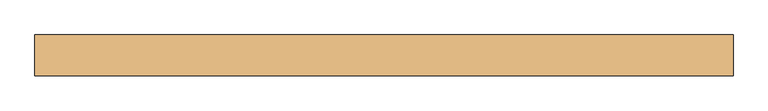
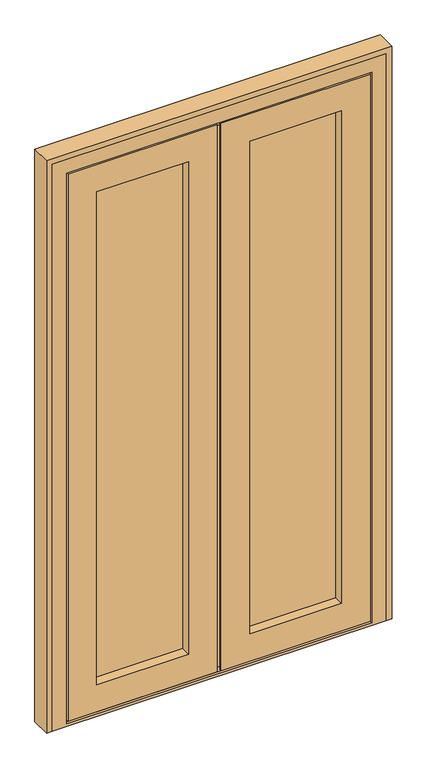
"""IFC4 building model written with IfcOpenShell, lengths in millimetres: door geometry."""

from ifc_helpers import new_model, si_unit, frame, origin, place, context, project, spatial, polyline, outline, extrude, faceted_brep, source, transform, mapped, element, save


def door_4d7236fe(model_context):
    return source(origin(), model_context, "Body", "SolidModel", [
        extrude(outline(polyline([(36.0, 91.0), (36.0, 65.0), (-318.0, 65.0), (-318.0, 91.0), (36.0, 91.0)])), frame((0.0, 0.0, 99.0), z_axis=(0.0, 0.0, 1.0), x_axis=(1.0, 0.0, 0.0)), (0.0, 0.0, 1.0), 1844.0),
        extrude(outline(polyline([(568.0, 91.0), (568.0, 65.0), (214.0, 65.0), (214.0, 91.0), (568.0, 91.0)])), frame((0.0, 0.0, 99.0), z_axis=(0.0, 0.0, 1.0), x_axis=(1.0, 0.0, 0.0)), (0.0, 0.0, 1.0), 1844.0),
        faceted_brep([(-400.0, 39.0, 17.0), (-390.0, 39.0, 17.0), (-390.0, 91.0, 17.0), (-380.0, 91.0, 17.0), (-380.0, 39.0, 17.0), (118.0, 39.0, 17.0), (118.0, 30.0, 17.0), (-400.0, 30.0, 17.0), (650.0, 39.0, 17.0), (650.0, 30.0, 17.0), (132.0, 30.0, 17.0), (132.0, 39.0, 17.0), (630.0, 39.0, 17.0), (630.0, 91.0, 17.0), (640.0, 91.0, 17.0), (640.0, 39.0, 17.0), (-400.0, 30.0, 2025.0), (-400.0, 39.0, 2025.0), (118.0, 30.0, 2025.0), (-300.0, 30.0, 1925.0), (18.0, 30.0, 1925.0), (18.0, 30.0, 117.0), (-300.0, 30.0, 117.0), (650.0, 30.0, 2025.0), (132.0, 30.0, 2025.0), (550.0, 30.0, 117.0), (232.0, 30.0, 117.0), (232.0, 30.0, 1925.0), (550.0, 30.0, 1925.0), (-300.0, 65.0, 117.0), (-300.0, 65.0, 1925.0), (568.0, 65.0, 99.0), (214.0, 65.0, 99.0), (214.0, 65.0, 1943.0), (568.0, 65.0, 1943.0), (550.0, 65.0, 1925.0), (232.0, 65.0, 1925.0), (232.0, 65.0, 117.0), (550.0, 65.0, 117.0), (-318.0, 65.0, 1943.0), (36.0, 65.0, 1943.0), (36.0, 65.0, 99.0), (-318.0, 65.0, 99.0), (18.0, 65.0, 117.0), (18.0, 65.0, 1925.0), (-318.0, 91.0, 99.0), (-318.0, 91.0, 1943.0), (568.0, 91.0, 1943.0), (214.0, 91.0, 1943.0), (214.0, 91.0, 99.0), (568.0, 91.0, 99.0), (550.0, 91.0, 117.0), (232.0, 91.0, 117.0), (232.0, 91.0, 1925.0), (550.0, 91.0, 1925.0), (36.0, 91.0, 99.0), (36.0, 91.0, 1943.0), (-300.0, 91.0, 1925.0), (18.0, 91.0, 1925.0), (18.0, 91.0, 117.0), (-300.0, 91.0, 117.0), (-300.0, 100.0, 117.0), (-300.0, 100.0, 1925.0), (625.0, 100.0, 42.0), (132.0, 100.0, 42.0), (132.0, 100.0, 2000.0), (625.0, 100.0, 2000.0), (550.0, 100.0, 1925.0), (232.0, 100.0, 1925.0), (232.0, 100.0, 117.0), (550.0, 100.0, 117.0), (-375.0, 100.0, 2000.0), (118.0, 100.0, 2000.0), (118.0, 100.0, 42.0), (-375.0, 100.0, 42.0), (18.0, 100.0, 117.0), (18.0, 100.0, 1925.0), (-375.0, 91.0, 42.0), (-375.0, 91.0, 2000.0), (630.0, 91.0, 27.0), (-380.0, 91.0, 27.0), (-390.0, 91.0, 2015.0), (640.0, 91.0, 2015.0), (625.0, 91.0, 2000.0), (132.0, 91.0, 2000.0), (132.0, 91.0, 42.0), (625.0, 91.0, 42.0), (118.0, 91.0, 42.0), (118.0, 91.0, 2000.0), (-390.0, 39.0, 2015.0), (118.0, 39.0, 2025.0), (118.0, 39.0, 2015.0), (640.0, 39.0, 2015.0), (132.0, 39.0, 2015.0), (132.0, 39.0, 2025.0), (650.0, 39.0, 2025.0), (630.0, 39.0, 27.0), (-380.0, 39.0, 27.0), (132.0, 39.0, 27.0), (118.0, 39.0, 27.0)], [[[0, 1, 2, 3, 4, 5, 6, 7]], [[8, 9, 10, 11, 12, 13, 14, 15]], [[7, 16, 17, 0]], [[7, 6, 18, 16], [19, 20, 21, 22]], [[23, 24, 10, 9], [25, 26, 27, 28]], [[19, 22, 29, 30]], [[31, 32, 33, 34], [35, 36, 37, 38]], [[39, 40, 41, 42], [29, 43, 44, 30]], [[39, 42, 45, 46]], [[47, 48, 49, 50], [51, 52, 53, 54]], [[45, 55, 56, 46], [57, 58, 59, 60]], [[57, 60, 61, 62]], [[63, 64, 65, 66], [67, 68, 69, 70]], [[71, 72, 73, 74], [61, 75, 76, 62]], [[71, 74, 77, 78]], [[14, 13, 79, 80, 3, 2, 81, 82], [83, 84, 85, 86], [87, 88, 78, 77]], [[1, 89, 81, 2]], [[0, 17, 90, 91, 89, 1]], [[92, 93, 94, 95, 8, 15]], [[16, 18, 90, 17]], [[95, 94, 24, 23]], [[30, 44, 20, 19]], [[28, 27, 36, 35]], [[46, 56, 40, 39]], [[34, 33, 48, 47]], [[62, 76, 58, 57]], [[54, 53, 68, 67]], [[78, 88, 72, 71]], [[66, 65, 84, 83]], [[81, 89, 91, 93, 92, 82]], [[9, 8, 95, 23]], [[35, 38, 25, 28]], [[47, 50, 31, 34]], [[67, 70, 51, 54]], [[83, 86, 63, 66]], [[82, 92, 15, 14]], [[38, 37, 26, 25]], [[22, 21, 43, 29]], [[42, 41, 55, 45]], [[50, 49, 32, 31]], [[70, 69, 52, 51]], [[60, 59, 75, 61]], [[79, 13, 12, 96]], [[97, 4, 3, 80]], [[96, 98, 99, 97, 80, 79]], [[74, 73, 87, 77]], [[86, 85, 64, 63]], [[12, 11, 98, 96]], [[97, 99, 5, 4]], [[65, 64, 85, 84]], [[68, 53, 52, 69]], [[33, 32, 49, 48]], [[36, 27, 26, 37]], [[10, 24, 94, 93, 98, 11]], [[91, 99, 98, 93]], [[5, 99, 91, 90, 18, 6]], [[43, 21, 20, 44]], [[56, 55, 41, 40]], [[75, 59, 58, 76]], [[73, 72, 88, 87]]]),
        faceted_brep([(-455.0, 100.0, 0.0), (705.0, 100.0, 0.0), (705.0, 30.0, 0.0), (-455.0, 30.0, 0.0), (-455.0, 30.0, 2080.0), (705.0, 30.0, 2080.0), (655.0, 30.0, 2030.0), (655.0, 30.0, 9.0), (-405.0, 30.0, 9.0), (-405.0, 30.0, 2030.0), (-405.0, 39.0, 9.0), (-405.0, 39.0, 2030.0), (655.0, 39.0, 9.0), (655.0, 39.0, 2030.0), (-390.0, 39.0, 2015.0), (118.0, 39.0, 2015.0), (132.0, 39.0, 2015.0), (640.0, 39.0, 2015.0), (640.0, 39.0, 27.0), (132.0, 39.0, 27.0), (118.0, 39.0, 27.0), (-390.0, 39.0, 27.0), (-390.0, 91.0, 27.0), (-390.0, 91.0, 2015.0), (-380.0, 91.0, 27.0), (-380.0, 91.0, 2005.0), (118.0, 91.0, 2005.0), (132.0, 91.0, 2005.0), (630.0, 91.0, 2005.0), (630.0, 91.0, 27.0), (640.0, 91.0, 27.0), (640.0, 91.0, 2015.0), (-380.0, 100.0, 27.0), (-380.0, 100.0, 2005.0), (705.0, 100.0, 2080.0), (-455.0, 100.0, 2080.0), (630.0, 100.0, 27.0), (630.0, 100.0, 2005.0), (132.0, 100.0, 2005.0), (118.0, 100.0, 2005.0)], [[[0, 1, 2, 3]], [[4, 3, 2, 5], [6, 7, 8, 9]], [[9, 8, 10, 11]], [[11, 10, 12, 13], [14, 15, 16, 17, 18, 19, 20, 21]], [[14, 21, 22, 23]], [[23, 22, 24, 25, 26, 27, 28, 29, 30, 31]], [[25, 24, 32, 33]], [[34, 1, 0, 35], [32, 36, 37, 38, 39, 33]], [[3, 4, 35, 0]], [[9, 11, 13, 6]], [[23, 31, 17, 16, 15, 14]], [[33, 39, 38, 37, 28, 27, 26, 25]], [[5, 34, 35, 4]], [[13, 12, 7, 6]], [[31, 30, 18, 17]], [[37, 36, 29, 28]], [[5, 2, 1, 34]], [[7, 12, 10, 8]], [[32, 24, 22, 21, 20, 19, 18, 30, 29, 36]]]),
        extrude(outline(polyline([(2100.0, -475.0), (0.0, -475.0), (0.0, -455.0), (2080.0, -455.0), (2080.0, 705.0), (0.0, 705.0), (0.0, 725.0), (2100.0, 725.0), (2100.0, -475.0)])), frame((0.0, 30.0, 0.0), z_axis=(0.0, 1.0, 0.0), x_axis=(0.0, 0.0, 1.0)), (0.0, 0.0, 1.0), 70.0),
    ])


if __name__ == "__main__":
    model = new_model("IFC4")
    model_context = context("Model", 3, world=origin())
    ifc_project = project(units=[si_unit("LENGTHUNIT", "METRE", prefix="MILLI")], contexts=[model_context])
    site = spatial("IfcSite", under=ifc_project)
    building = spatial("IfcBuilding", under=site)
    placement = place(None, origin())
    door_shape = door_4d7236fe(model_context)
    element("IfcDoor", 1, at=placement, inside=building, context=model_context, shape_type="MappedRepresentation", body=[
        mapped(door_shape, transform((0.0, 0.0, 0.0), x_axis=(1.0, 0.0, 0.0), y_axis=(0.0, 1.0, 0.0), z_axis=(0.0, 0.0, 1.0))),
    ])
    save(model, "model.ifc")
